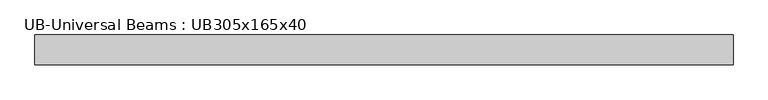
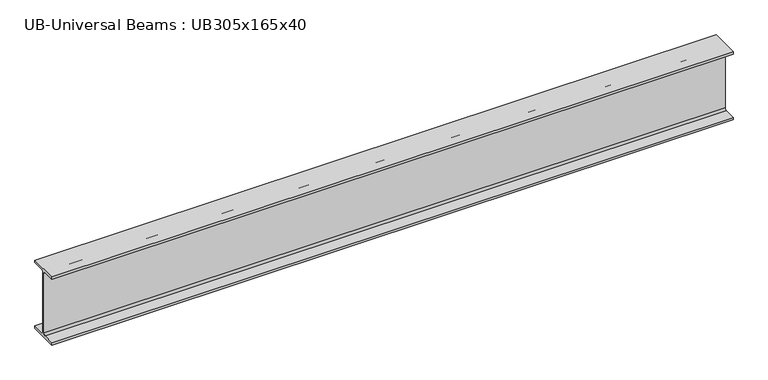
"""IFC4 building model written with IfcOpenShell, lengths in millimetres: beam geometry, UB-Universal Beams : UB305x165x40."""

from ifc_helpers import new_model, si_unit, point, frame, frame_2d, origin, place, context, project, spatial, polyline, circle_curve, trimmed, segment, composite_curve, outline, extrude, source, transform, mapped, element, save


def ub_universal_beams_ub305x165x40_962f6730(model_context):
    return source(origin(), model_context, "Body", "SweptSolid", [
        extrude(outline(composite_curve([segment(polyline([(61.75, -141.2), (61.75, -151.9), (-61.75, -151.9), (-61.75, -141.2), (-12.5, -141.2)]), True, "CONTINUOUS"), segment(trimmed(circle_curve(frame_2d((-12.5, -132.3)), 8.9), [point((-12.5, -141.2))], [point((-3.6, -132.3))], True, "CARTESIAN"), True, "CONTINUOUS"), segment(polyline([(-3.6, -132.3), (-3.6, 132.3)]), True, "CONTINUOUS"), segment(trimmed(circle_curve(frame_2d((-12.5, 132.3)), 8.9), [point((-3.6, 132.3))], [point((-12.5, 141.2))], True, "CARTESIAN"), True, "CONTINUOUS"), segment(polyline([(-12.5, 141.2), (-61.75, 141.2), (-61.75, 151.9), (61.75, 151.9), (61.75, 141.2), (12.5, 141.2)]), True, "CONTINUOUS"), segment(trimmed(circle_curve(frame_2d((12.5, 132.3)), 8.9), [point((12.5, 141.2))], [point((3.6, 132.3))], True, "CARTESIAN"), True, "CONTINUOUS"), segment(polyline([(3.6, 132.3), (3.6, -132.3)]), True, "CONTINUOUS"), segment(trimmed(circle_curve(frame_2d((12.5, -132.3)), 8.9), [point((3.6, -132.3))], [point((12.5, -141.2))], True, "CARTESIAN"), True, "CONTINUOUS"), segment(polyline([(12.5, -141.2), (61.75, -141.2)]), True, "CONTINUOUS")], self_intersect=False)), frame((-1435.0, 0.0, 0.0), z_axis=(1.0, 0.0, 0.0), x_axis=(0.0, 1.0, 0.0)), (0.0, 0.0, 1.0), 2870.0),
    ])


if __name__ == "__main__":
    model = new_model("IFC4")
    model_context = context("Model", 3, world=origin())
    ifc_project = project(units=[si_unit("LENGTHUNIT", "METRE", prefix="MILLI")], contexts=[model_context])
    site = spatial("IfcSite", under=ifc_project)
    building = spatial("IfcBuilding", under=site)
    placement = place(None, origin())
    ub_universal_beams_ub305x165x40_shape = ub_universal_beams_ub305x165x40_962f6730(model_context)
    element("IfcBeam", 1, ObjectType="UB-Universal Beams : UB305x165x40", at=placement, inside=building, context=model_context, shape_type="MappedRepresentation", body=[
        mapped(ub_universal_beams_ub305x165x40_shape, transform((0.0, 0.0, 0.0), x_axis=(1.0, 0.0, 0.0), y_axis=(0.0, 1.0, 0.0), z_axis=(0.0, 0.0, 1.0))),
    ])
    save(model, "model.ifc")
